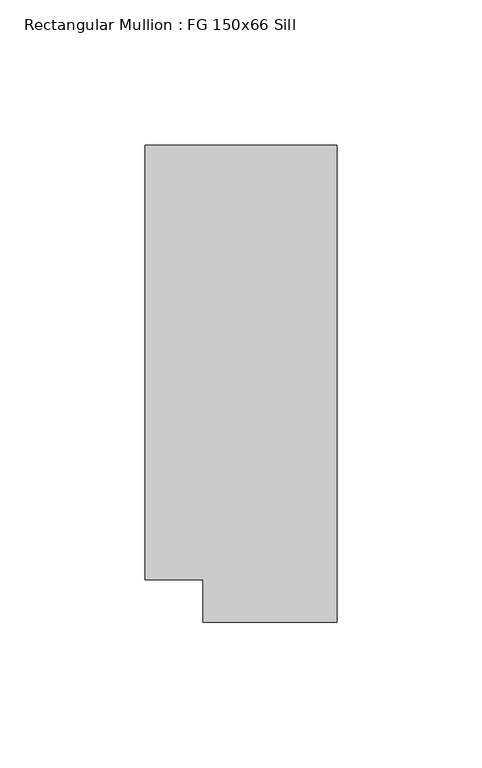
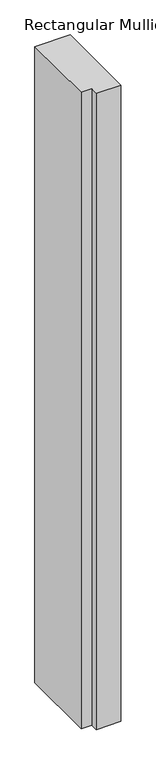
"""IFC4 building model written with IfcOpenShell, lengths in millimetres: member geometry, Rectangular Mullion : FG 150x66 Sill."""

from ifc_helpers import new_model, si_unit, frame, origin, place, context, project, spatial, polyline, outline, extrude, source, transform, mapped, element, save


def rectangular_mullion_fg_150x66_sill_ca3f536e(model_context):
    return source(origin(), model_context, "Body", "SweptSolid", [
        extrude(outline(polyline([(0.0, 75.0), (0.0, -89.0), (-46.0000284, -89.0), (-46.0000284, -74.5), (-65.9954662, -74.5), (-65.9954662, 75.0), (0.0, 75.0)])), frame((0.0, 0.0, -1257.5281277), z_axis=(0.0, 0.0, 1.0), x_axis=(1.0, 0.0, 0.0)), (0.0, 0.0, 1.0), 1257.5281277),
    ])


if __name__ == "__main__":
    model = new_model("IFC4")
    model_context = context("Model", 3, world=origin())
    ifc_project = project(units=[si_unit("LENGTHUNIT", "METRE", prefix="MILLI")], contexts=[model_context])
    site = spatial("IfcSite", under=ifc_project)
    building = spatial("IfcBuilding", under=site)
    placement = place(None, origin())
    rectangular_mullion_fg_150x66_sill_shape = rectangular_mullion_fg_150x66_sill_ca3f536e(model_context)
    element("IfcMember", 1, ObjectType="Rectangular Mullion : FG 150x66 Sill", at=placement, inside=building, context=model_context, shape_type="MappedRepresentation", body=[
        mapped(rectangular_mullion_fg_150x66_sill_shape, transform((0.0, 0.0, 0.0), x_axis=(1.0, 0.0, 0.0), y_axis=(0.0, 1.0, 0.0), z_axis=(0.0, 0.0, 1.0))),
    ])
    save(model, "model.ifc")
